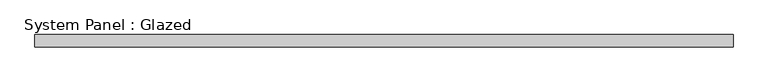
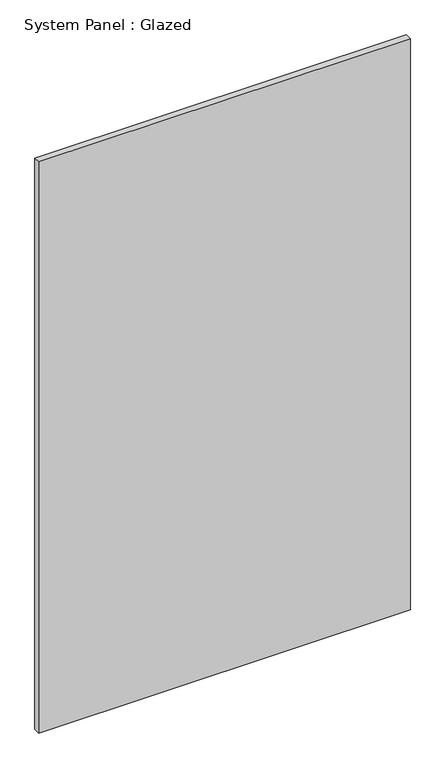
"""IFC4 building model written with IfcOpenShell, lengths in millimetres: plate geometry, System Panel : Glazed."""

from ifc_helpers import new_model, si_unit, origin, origin_with_axes, place, context, project, spatial, polyline, outline, extrude, source, transform, mapped, element, save


def system_panel_glazed_0efba72c(model_context):
    return source(origin(), model_context, "Body", "SweptSolid", [
        extrude(outline(polyline([(715.8667994, 24.5), (-715.8667994, 24.5), (-715.8667994, 49.5), (715.8667994, 49.5), (715.8667994, 24.5)])), origin_with_axes(), (0.0, 0.0, 1.0), 2325.0),
    ])


if __name__ == "__main__":
    model = new_model("IFC4")
    model_context = context("Model", 3, world=origin())
    ifc_project = project(units=[si_unit("LENGTHUNIT", "METRE", prefix="MILLI")], contexts=[model_context])
    site = spatial("IfcSite", under=ifc_project)
    building = spatial("IfcBuilding", under=site)
    placement = place(None, origin())
    system_panel_glazed_shape = system_panel_glazed_0efba72c(model_context)
    element("IfcPlate", 1, ObjectType="System Panel : Glazed", at=placement, inside=building, context=model_context, shape_type="MappedRepresentation", body=[
        mapped(system_panel_glazed_shape, transform((0.0, 0.0, 0.0), x_axis=(1.0, 0.0, 0.0), y_axis=(0.0, 1.0, 0.0), z_axis=(0.0, 0.0, 1.0))),
    ])
    save(model, "model.ifc")
